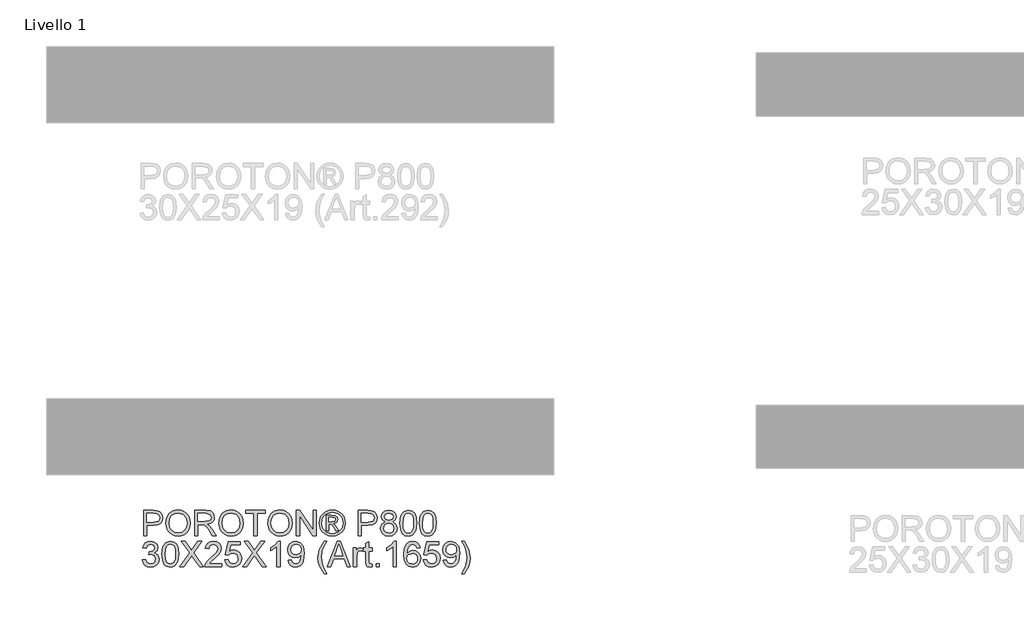
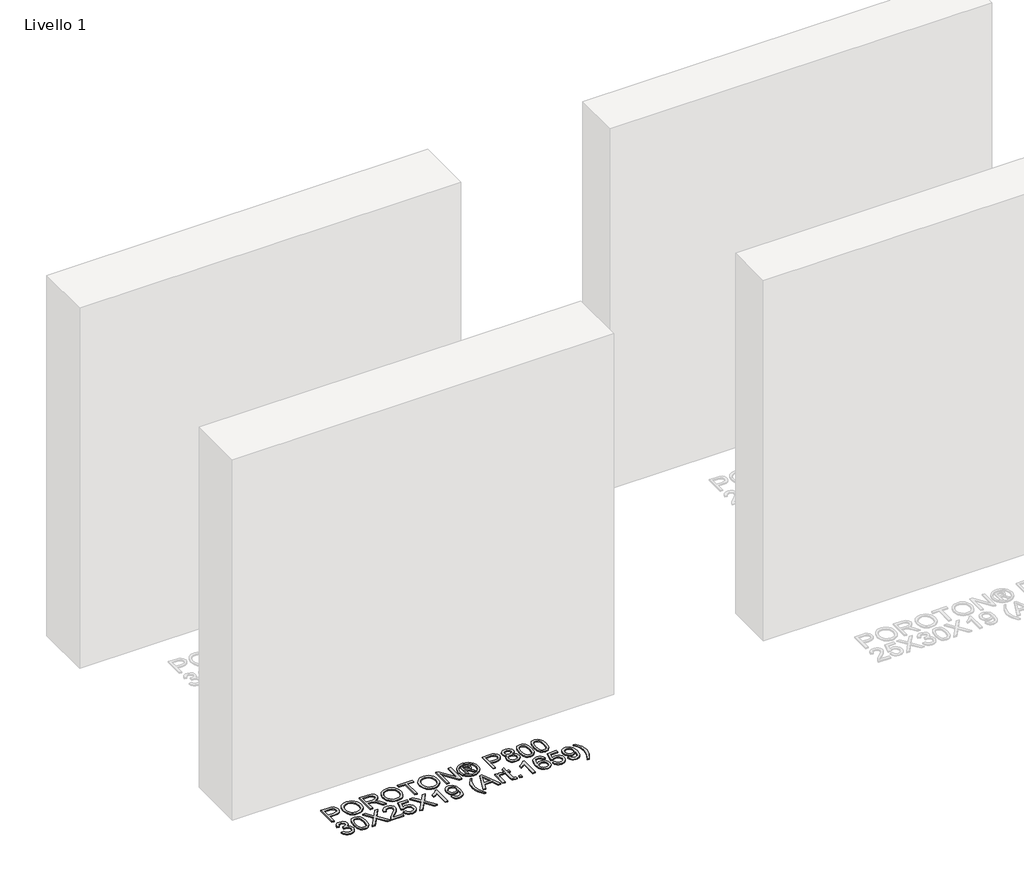
# One storey, part 2 of 8: 1 proxy.
"""IFC4 building model written with IfcOpenShell, lengths in millimetres."""

import ifcopenshell
import ifcopenshell.guid

model = None  # the IFC model being written
_history = None  # IfcOwnerHistory: only IFC2X3 demands one
_inside = {}  # id of a spatial element -> (the spatial element, [elements in it])
_under = {}  # id of a project, library or spatial element -> (it, [spatial elements below it])
_declared = {}  # id of a project -> (the project, [libraries it declares])
_typed = {}  # id of a type object -> (the type object, [elements of that type])
_made_of = {}  # id of a material, layer set ... -> (it, [elements and type objects made of it])


def new_model(schema):
    """Start an empty IFC model of exactly this schema.

    Asked for "IFC4X3", IfcOpenShell would pick the latest addendum, in which some entities
    have other attributes; the version numbers below select the first issue.
    IFC2X3 requires an IfcOwnerHistory on every rooted entity: one is made here for all.
    """
    global model, _history
    if schema == "IFC4X3":
        model = ifcopenshell.file(schema_version=(4, 3, 0, 0))
    else:
        model = ifcopenshell.file(schema=schema)
    _inside.clear()
    _under.clear()
    _declared.clear()
    _typed.clear()
    _made_of.clear()
    _history = None
    if model.schema == "IFC2X3":
        org = make("IfcOrganization", Name="unknown")
        user = make(
            "IfcPersonAndOrganization",
            ThePerson=make("IfcPerson", FamilyName="unknown"),
            TheOrganization=org,
        )
        app = make(
            "IfcApplication",
            ApplicationDeveloper=org,
            Version="unknown",
            ApplicationFullName="unknown",
            ApplicationIdentifier="unknown",
        )
        _history = make(
            "IfcOwnerHistory",
            OwningUser=user,
            OwningApplication=app,
            ChangeAction="ADDED",
            CreationDate=0,
        )
    return model


def make(cls, **values):
    """One entity of the class cls with the attributes given. An attribute that is None is left unset."""
    return model.create_entity(
        cls, **{name: value for name, value in values.items() if value is not None}
    )


def rooted(cls, **values):
    """An entity with a GlobalId (a new one), such as an element, a storey or a relation."""
    return make(cls, GlobalId=ifcopenshell.guid.new(), OwnerHistory=_history, **values)


def si_unit(unit_type, name, prefix=None):
    """IfcSIUnit, for example si_unit("LENGTHUNIT", "METRE", prefix="MILLI")."""
    return make("IfcSIUnit", UnitType=unit_type, Prefix=prefix, Name=name)


def assignment(units):
    """IfcUnitAssignment: the units of a project."""
    return None if units is None else make("IfcUnitAssignment", Units=units)


def point(xyz):
    """IfcCartesianPoint."""
    return None if xyz is None else make("IfcCartesianPoint", Coordinates=xyz)


def direction(xyz):
    """IfcDirection."""
    return None if xyz is None else make("IfcDirection", DirectionRatios=xyz)


def frame(location, z_axis=None, x_axis=None):
    """IfcAxis2Placement3D, a coordinate frame: its origin and axes. An axis left out is left unset."""
    return make(
        "IfcAxis2Placement3D",
        Location=point(location),
        Axis=direction(z_axis),
        RefDirection=direction(x_axis),
    )


def origin():
    """The frame at (0, 0, 0) with its axes left unset."""
    return frame((0.0, 0.0, 0.0))


def origin_with_axes():
    """The frame at (0, 0, 0) with the z axis (0, 0, 1) and the x axis (1, 0, 0) written out."""
    return frame((0.0, 0.0, 0.0), z_axis=(0.0, 0.0, 1.0), x_axis=(1.0, 0.0, 0.0))


def place(relative_to, where):
    """IfcLocalPlacement: puts the frame where relative to a parent placement (None: the world)."""
    return make(
        "IfcLocalPlacement", PlacementRelTo=relative_to, RelativePlacement=where
    )


def context(
    kind, dimensions, precision=None, world=None, true_north=None, identifier=None
):
    """IfcGeometricRepresentationContext, for example the 3D "Model" context."""
    return make(
        "IfcGeometricRepresentationContext",
        ContextIdentifier=identifier,
        ContextType=kind,
        CoordinateSpaceDimension=dimensions,
        Precision=precision,
        WorldCoordinateSystem=world,
        TrueNorth=true_north,
    )


def project(units=None, contexts=None):
    """IfcProject with its units and contexts."""
    return rooted(
        "IfcProject",
        Name="project",
        RepresentationContexts=contexts,
        UnitsInContext=assignment(units),
    )


def spatial(cls, under=None, at=None, **own):
    """A site, building, storey or space (cls), placed at a placement, below another one or the project."""
    s = rooted(cls, ObjectPlacement=at, **own)
    if under is not None:
        _under.setdefault(under.id(), (under, []))[1].append(s)
    return s


def polyline(points):
    """IfcPolyline through the points."""
    return make("IfcPolyline", Points=[point(p) for p in points])


def outline(outer, holes=None, kind="AREA"):
    """IfcArbitraryClosedProfileDef: a profile drawn as a closed curve; with holes, ...WithVoids."""
    if holes is None:
        return make("IfcArbitraryClosedProfileDef", ProfileType=kind, OuterCurve=outer)
    return make(
        "IfcArbitraryProfileDefWithVoids",
        ProfileType=kind,
        OuterCurve=outer,
        InnerCurves=holes,
    )


def extrude(swept, where, along, depth):
    """IfcExtrudedAreaSolid: the profile swept, set in the frame where, extruded along a direction by depth."""
    return make(
        "IfcExtrudedAreaSolid",
        SweptArea=swept,
        Position=where,
        ExtrudedDirection=direction(along),
        Depth=depth,
    )


def shape(context_of_items, identifier, shape_type, items):
    """IfcShapeRepresentation: the items that make up one representation, for example the "Body"."""
    return make(
        "IfcShapeRepresentation",
        ContextOfItems=context_of_items,
        RepresentationIdentifier=identifier,
        RepresentationType=shape_type,
        Items=items,
    )


def made_of(thing, what):
    """Note that an element or type object is made of a material, layer set ...; save() writes the relation."""
    if what is not None:
        _made_of.setdefault(what.id(), (what, []))[1].append(thing)
    return thing


def element(
    cls,
    number,
    at=None,
    inside=None,
    cuts=None,
    type_object=None,
    material=None,
    context=None,
    identifier="Body",
    shape_type=None,
    held_by="IfcProductDefinitionShape",
    body=None,
    shapes=None,
    **own,
):
    """One element of the class cls, such as IfcWall. Its Tag is "e" and its number.

    at: its placement. inside: the storey or other place that contains it. cuts: it is an
    opening in that element (IfcRelVoidsElement). A single representation is given by context,
    identifier, shape_type and body (its items); several are given by shapes. held_by: the class
    of the entity that holds the representations. save() writes the other relations.
    """
    e = rooted(cls, Tag="e%d" % number, ObjectPlacement=at, **own)
    if body is not None:
        shapes = [shape(context, identifier, shape_type, body)]
    if shapes is not None:
        e.Representation = make(held_by, Representations=shapes)
    if inside is not None:
        _inside.setdefault(inside.id(), (inside, []))[1].append(e)
    if cuts is not None:
        rooted(
            "IfcRelVoidsElement", RelatingBuildingElement=cuts, RelatedOpeningElement=e
        )
    if type_object is not None:
        _typed.setdefault(type_object.id(), (type_object, []))[1].append(e)
    return made_of(e, material)


def aggregate(whole, parts):
    """IfcRelAggregates: a whole, such as a stair, and the parts it consists of."""
    return rooted("IfcRelAggregates", RelatingObject=whole, RelatedObjects=parts)


def save(model, path):
    """Write the relations noted so far, then the file.

    IfcRelAggregates (storeys below a building ...), IfcRelContainedInSpatialStructure (elements
    in a storey), IfcRelDefinesByType, IfcRelAssociatesMaterial and IfcRelDeclares: one each for
    every whole, place, type object, material and project.
    """
    for whole, parts in _under.values():
        aggregate(whole, parts)
    for where, things in _inside.values():
        rooted(
            "IfcRelContainedInSpatialStructure",
            RelatedElements=things,
            RelatingStructure=where,
        )
    for kind, things in _typed.values():
        rooted("IfcRelDefinesByType", RelatedObjects=things, RelatingType=kind)
    for what, things in _made_of.values():
        rooted("IfcRelAssociatesMaterial", RelatedObjects=things, RelatingMaterial=what)
    for by, libraries in _declared.values():
        rooted("IfcRelDeclares", RelatingContext=by, RelatedDefinitions=libraries)
    model.write(path)


model = new_model("IFC4")

# Units and contexts
model_context = context("Model", 3, world=origin())
ifc_project = project(units=[si_unit("LENGTHUNIT", "METRE", prefix="MILLI")], contexts=[model_context])

# Site, building, storey
site = spatial("IfcSite", under=ifc_project)
building = spatial("IfcBuilding", under=site)
storey = spatial("IfcBuildingStorey", under=building, Name="Livello 1", Elevation=0.0)

# Proxy
placement = place(None, origin())
element("IfcBuildingElementProxy", 1, Name="100", ObjectType="100", at=placement, inside=storey, context=model_context, shape_type="SweptSolid", body=[
    extrude(outline(polyline([(-1759.8532152, 897.8313318), (-1759.8532152, 998.2876419), (-1722.6235573, 998.2876419), (-1707.6139719, 997.3311487), (-1695.4125523, 992.6345219), (-1687.5030895, 982.9224373), (-1684.5109826, 969.2249643), (-1686.5312678, 957.3852954), (-1692.5921237, 947.5199266), (-1703.9259549, 940.8612625), (-1721.7651659, 938.6417078), (-1747.2961764, 938.6417078), (-1747.2961764, 897.8313318), (-1759.8532152, 897.8313318)]), holes=[polyline([(-1747.2961764, 951.1987465), (-1721.0294019, 951.1987465), (-1702.5372003, 955.8095342), (-1698.4353161, 961.358421), (-1697.0680213, 968.7835059), (-1700.2931202, 979.1823036), (-1708.7666688, 984.8722118), (-1721.3237075, 985.7306032), (-1747.2961764, 985.7306032), (-1747.2961764, 951.1987465)])]), origin_with_axes(), (0.0, 0.0, 1.0), 5.0),
    extrude(outline(polyline([(-1671.9539438, 946.7351117), (-1668.6062176, 968.9490528), (-1658.5630392, 985.7551286), (-1643.2284913, 996.331736), (-1624.0066571, 999.8572718), (-1610.8303503, 998.2018028), (-1599.0152069, 993.2353959), (-1589.2050203, 985.3075389), (-1582.0435842, 974.7677197), (-1577.6657884, 962.1248418), (-1576.2065232, 947.8878086), (-1577.7424305, 933.460703), (-1582.3501525, 920.6400155), (-1589.7752374, 910.0818022), (-1599.7632336, 902.4421194), (-1611.4772095, 897.8068063), (-1624.0802335, 896.2617019), (-1637.4588754, 897.9692875), (-1649.3414638, 903.0920443), (-1659.1271249, 911.1670541), (-1666.2149847, 921.7313987), (-1671.9539438, 946.7351117)]), holes=[polyline([(-1659.396905, 946.6124843), (-1656.8861104, 930.8977918), (-1649.3537266, 918.9232328), (-1638.0321582, 911.3448637), (-1624.1538099, 908.8187407), (-1610.0731265, 911.3693892), (-1598.733164, 919.0213347), (-1591.2559625, 931.3637756), (-1588.7635619, 947.9859105), (-1593.0309931, 968.7099295), (-1605.5021927, 982.4319279), (-1623.9330807, 987.300233), (-1637.4404813, 984.9549853), (-1648.9245309, 977.9192421), (-1656.7788115, 965.4020572), (-1659.396905, 946.6124843)])]), origin_with_axes(), (0.0, 0.0, 1.0), 5.0),
    extrude(outline(polyline([(-1558.9405949, 897.8313318), (-1558.9405949, 998.2876419), (-1515.6531468, 998.2876419), (-1495.5545271, 995.5775779), (-1484.5671182, 985.9881206), (-1480.4591026, 970.7945942), (-1482.1605568, 960.8985685), (-1487.2649195, 952.6948), (-1495.9254748, 946.6799294), (-1508.2955069, 943.3505973), (-1501.1585962, 937.9795202), (-1490.9805276, 925.0545994), (-1474.2296341, 897.8313318), (-1488.8222866, 897.8313318), (-1501.8943602, 918.6534527), (-1511.3366647, 932.4367648), (-1517.9708033, 938.9482761), (-1523.9427544, 941.3395091), (-1531.2268179, 941.7809675), (-1546.3835561, 941.7809675), (-1546.3835561, 897.8313318), (-1558.9405949, 897.8313318)]), holes=[polyline([(-1546.3835561, 954.3380062), (-1518.2773717, 954.3380062), (-1503.9422366, 956.1161025), (-1495.7997818, 961.8060107), (-1493.0161413, 970.3286103), (-1498.3259048, 981.3895956), (-1515.1135865, 985.7306032), (-1546.3835561, 985.7306032), (-1546.3835561, 954.3380062)])]), origin_with_axes(), (0.0, 0.0, 1.0), 5.0),
    extrude(outline(polyline([(-1463.1931743, 946.7351117), (-1459.8454481, 968.9490528), (-1449.8022696, 985.7551286), (-1434.4677218, 996.331736), (-1415.2458876, 999.8572718), (-1402.0695808, 998.2018028), (-1390.2544373, 993.2353959), (-1380.4442508, 985.3075389), (-1373.2828146, 974.7677197), (-1368.9050189, 962.1248418), (-1367.4457536, 947.8878086), (-1368.981661, 933.460703), (-1373.589383, 920.6400155), (-1381.0144679, 910.0818022), (-1391.0024641, 902.4421194), (-1402.7164399, 897.8068063), (-1415.319464, 896.2617019), (-1428.6981058, 897.9692875), (-1440.5806943, 903.0920443), (-1450.3663554, 911.1670541), (-1457.4542151, 921.7313987), (-1463.1931743, 946.7351117)]), holes=[polyline([(-1450.6361355, 946.6124843), (-1448.1253409, 930.8977918), (-1440.592957, 918.9232328), (-1429.2713886, 911.3448637), (-1415.3930404, 908.8187407), (-1401.312357, 911.3693892), (-1389.9723945, 919.0213347), (-1382.4951929, 931.3637756), (-1380.0027924, 947.9859105), (-1384.2702236, 968.7099295), (-1396.7414232, 982.4319279), (-1415.1723112, 987.300233), (-1428.6797117, 984.9549853), (-1440.1637614, 977.9192421), (-1448.018042, 965.4020572), (-1450.6361355, 946.6124843)])]), origin_with_axes(), (0.0, 0.0, 1.0), 5.0),
    extrude(outline(polyline([(-1325.0657478, 897.8313318), (-1325.0657478, 985.7306032), (-1358.0279746, 985.7306032), (-1358.0279746, 998.2876419), (-1279.5464823, 998.2876419), (-1279.5464823, 985.7306032), (-1312.508709, 985.7306032), (-1312.508709, 897.8313318), (-1325.0657478, 897.8313318)])), origin_with_axes(), (0.0, 0.0, 1.0), 5.0),
    extrude(outline(polyline([(-1270.1287032, 946.7351117), (-1266.780977, 968.9490528), (-1256.7377986, 985.7551286), (-1241.4032507, 996.331736), (-1222.1814165, 999.8572718), (-1209.0051097, 998.2018028), (-1197.1899663, 993.2353959), (-1187.3797797, 985.3075389), (-1180.2183436, 974.7677197), (-1175.8405478, 962.1248418), (-1174.3812826, 947.8878086), (-1175.9171899, 933.460703), (-1180.5249119, 920.6400155), (-1187.9499968, 910.0818022), (-1197.937993, 902.4421194), (-1209.6519689, 897.8068063), (-1222.2549929, 896.2617019), (-1235.6336348, 897.9692875), (-1247.5162232, 903.0920443), (-1257.3018843, 911.1670541), (-1264.3897441, 921.7313987), (-1270.1287032, 946.7351117)]), holes=[polyline([(-1257.5716644, 946.6124843), (-1255.0608698, 930.8977918), (-1247.528486, 918.9232328), (-1236.2069176, 911.3448637), (-1222.3285693, 908.8187407), (-1208.2478859, 911.3693892), (-1196.9079234, 919.0213347), (-1189.4307219, 931.3637756), (-1186.9383213, 947.9859105), (-1191.2057525, 968.7099295), (-1203.6769521, 982.4319279), (-1222.1078401, 987.300233), (-1235.6152407, 984.9549853), (-1247.0992903, 977.9192421), (-1254.9535709, 965.4020572), (-1257.5716644, 946.6124843)])]), origin_with_axes(), (0.0, 0.0, 1.0), 5.0),
    extrude(outline(polyline([(-1157.1153543, 897.8313318), (-1157.1153543, 998.2876419), (-1143.6753987, 998.2876419), (-1091.1909007, 918.7025036), (-1091.1909007, 998.2876419), (-1078.633862, 998.2876419), (-1078.633862, 897.8313318), (-1092.0738175, 897.8313318), (-1144.5583155, 977.4409955), (-1144.5583155, 897.8313318), (-1157.1153543, 897.8313318)])), origin_with_axes(), (0.0, 0.0, 1.0), 5.0),
    extrude(outline(polyline([(-1015.8241427, 999.8572718), (-1002.9298787, 998.1834087), (-990.3421831, 993.1618195), (-979.2842635, 985.025496), (-970.9793274, 974.0074302), (-965.7829943, 961.2848446), (-964.0508832, 948.0349614), (-965.7584688, 934.9015742), (-970.8812256, 922.2832217), (-979.0849941, 911.3050099), (-990.0356148, 903.0920443), (-1002.6447702, 897.9692875), (-1015.8241427, 896.2617019), (-1028.985121, 897.9692875), (-1041.5881451, 903.0920443), (-1052.5479628, 911.3050099), (-1060.7793225, 922.2832217), (-1065.9296704, 934.9015742), (-1067.646453, 948.0349614), (-1065.9051449, 961.2848446), (-1060.6812206, 974.0074302), (-1052.3486934, 985.025496), (-1041.2815767, 993.1618195), (-1028.7000125, 998.1834087), (-1015.8241427, 999.8572718)]), holes=[polyline([(-1015.8241427, 990.4394927), (-1036.6462636, 984.958051), (-1045.6747009, 978.2963212), (-1052.5019776, 969.2740152), (-1058.228674, 948.0349614), (-1052.6123422, 926.9798485), (-1036.8915182, 911.2958128), (-1015.8241427, 905.679481), (-994.7445043, 911.2958128), (-979.0604686, 926.9798485), (-973.4686623, 948.0349614), (-979.1585705, 969.2740152), (-985.9674531, 978.2963212), (-995.0142845, 984.958051), (-1015.8241427, 990.4394927)])]), origin_with_axes(), (0.0, 0.0, 1.0), 5.0),
    extrude(outline(polyline([(-1039.3931158, 916.6668899), (-1039.3931158, 979.4520838), (-1019.1105551, 979.4520838), (-1004.0519188, 977.7230384), (-996.6329652, 971.6897737), (-993.8738503, 962.529512), (-998.6317908, 950.6101354), (-1011.2378805, 944.9202272), (-1006.3327872, 941.5847637), (-997.7733994, 929.0522504), (-990.7345906, 916.6668899), (-1001.329592, 916.6668899), (-1006.847822, 926.6242293), (-1016.0939228, 941.0452035), (-1024.1137503, 943.3505973), (-1029.9753367, 943.3505973), (-1029.9753367, 916.6668899), (-1039.3931158, 916.6668899)]), holes=[polyline([(-1029.9753367, 952.7683764), (-1018.0559601, 952.7683764), (-1006.4063636, 955.1596094), (-1003.2916294, 961.4994424), (-1004.7876828, 966.0611791), (-1008.9447493, 969.053286), (-1018.8162496, 970.0343047), (-1029.9753367, 970.0343047), (-1029.9753367, 952.7683764)])]), origin_with_axes(), (0.0, 0.0, 1.0), 5.0),
    extrude(outline(polyline([(-913.8227281, 897.8313318), (-913.8227281, 998.2876419), (-876.5930702, 998.2876419), (-861.5834848, 997.3311487), (-849.3820653, 992.6345219), (-841.4726024, 982.9224373), (-838.4804955, 969.2249643), (-840.5007808, 957.3852954), (-846.5616367, 947.5199266), (-857.8954678, 940.8612625), (-875.7346789, 938.6417078), (-901.2656894, 938.6417078), (-901.2656894, 897.8313318), (-913.8227281, 897.8313318)]), holes=[polyline([(-901.2656894, 951.1987465), (-874.9989149, 951.1987465), (-856.5067133, 955.8095342), (-852.404829, 961.358421), (-851.0375343, 968.7835059), (-854.2626331, 979.1823036), (-862.7361817, 984.8722118), (-875.2932205, 985.7306032), (-901.2656894, 985.7306032), (-901.2656894, 951.1987465)])]), origin_with_axes(), (0.0, 0.0, 1.0), 5.0),
    extrude(outline(polyline([(-807.6274589, 953.1607839), (-819.0685889, 960.9598821), (-822.7841971, 973.099988), (-820.7608461, 982.9163059), (-814.6907932, 991.0281039), (-805.25462, 996.4727574), (-793.1329082, 998.2876419), (-780.9376201, 996.4298379), (-771.3788196, 990.8564256), (-765.1984021, 982.6158689), (-763.1382629, 972.7566315), (-766.8048201, 960.9230939), (-777.9271191, 953.1607839), (-764.5730027, 943.3138091), (-759.9990032, 927.0656877), (-762.2676088, 915.0604719), (-769.0734258, 905.1399207), (-779.5825881, 898.4812566), (-792.96123, 896.2617019), (-806.3398719, 898.4904537), (-816.8490342, 905.1767089), (-823.6548511, 915.1922963), (-825.9234567, 927.4090442), (-821.1655163, 944.0373104), (-807.6274589, 953.1607839)]), holes=[polyline([(-810.2271583, 972.732106), (-805.7757861, 962.8728685), (-792.8140772, 959.0468958), (-780.1098856, 962.8483431), (-775.6953017, 972.1680203), (-780.2570384, 981.8187913), (-792.96123, 985.7306032), (-805.7022097, 981.9046304), (-810.2271583, 972.732106)]), polyline([(-813.366418, 927.8505026), (-811.2694906, 918.3959353), (-803.850537, 911.3203383), (-792.8631281, 908.8187407), (-784.3160031, 910.1339188), (-777.9025936, 914.0794532), (-772.556042, 927.4580951), (-778.0742719, 941.0942544), (-784.6348342, 945.1409564), (-793.280061, 946.489857), (-801.7076244, 945.1593505), (-808.0566545, 941.1678308), (-813.366418, 927.8505026)])]), origin_with_axes(), (0.0, 0.0, 1.0), 5.0),
    extrude(outline(polyline([(-749.0115943, 947.2501465), (-745.3205116, 976.1534085), (-734.3576281, 992.8184629), (-716.0493675, 998.2876419), (-701.3831386, 995.0502804), (-691.254121, 985.7183404), (-685.3680091, 970.8559078), (-683.0871408, 947.2501465), (-686.7414352, 918.4695117), (-697.6675305, 901.7676691), (-705.8988901, 897.6381937), (-716.0493675, 896.2617019), (-729.0969156, 898.6529349), (-739.005204, 905.8266338), (-746.5099967, 922.8166506), (-749.0115943, 947.2501465)]), holes=[polyline([(-736.4545555, 947.2746719), (-734.9830275, 927.5224745), (-730.5684436, 916.0905415), (-723.9956186, 910.6366909), (-716.0493675, 908.8187407), (-708.1031164, 910.6428223), (-701.5302914, 916.1150669), (-697.1157075, 927.5531313), (-695.6441795, 947.2746719), (-697.0666566, 966.5823453), (-701.3340877, 978.1031831), (-707.89465, 983.8237481), (-716.1965203, 985.7306032), (-724.0569323, 984.0506087), (-730.3722399, 979.0106254), (-734.9339766, 966.7724177), (-736.4545555, 947.2746719)])]), origin_with_axes(), (0.0, 0.0, 1.0), 5.0),
    extrude(outline(polyline([(-672.0997318, 947.2501465), (-668.4086491, 976.1534085), (-657.4457657, 992.8184629), (-639.1375051, 998.2876419), (-624.4712762, 995.0502804), (-614.3422586, 985.7183404), (-608.4561467, 970.8559078), (-606.1752783, 947.2501465), (-609.8295728, 918.4695117), (-620.755668, 901.7676691), (-628.9870277, 897.6381937), (-639.1375051, 896.2617019), (-652.1850532, 898.6529349), (-662.0933416, 905.8266338), (-669.5981343, 922.8166506), (-672.0997318, 947.2501465)]), holes=[polyline([(-659.5426931, 947.2746719), (-658.0711651, 927.5224745), (-653.6565811, 916.0905415), (-647.0837562, 910.6366909), (-639.1375051, 908.8187407), (-631.191254, 910.6428223), (-624.618429, 916.1150669), (-620.203845, 927.5531313), (-618.7323171, 947.2746719), (-620.1547941, 966.5823453), (-624.4222253, 978.1031831), (-630.9827875, 983.8237481), (-639.2846579, 985.7306032), (-647.1450698, 984.0506087), (-653.4603774, 979.0106254), (-658.0221142, 966.7724177), (-659.5426931, 947.2746719)])]), origin_with_axes(), (0.0, 0.0, 1.0), 5.0),
    extrude(outline(polyline([(-1764.5621047, 802.5402213), (-1752.0050659, 804.1098512), (-1745.0766217, 790.8906248), (-1732.1149127, 786.8439229), (-1723.506474, 788.2357431), (-1716.8600727, 792.4112037), (-1711.1946899, 806.1945158), (-1716.8110217, 819.1807502), (-1731.0848431, 824.3188354), (-1739.8894856, 822.9454093), (-1738.491534, 835.5024481), (-1736.4804457, 835.3552953), (-1722.2311498, 838.9605388), (-1717.4854721, 843.5345383), (-1715.9035795, 850.0460496), (-1720.4898417, 859.8684989), (-1732.3111165, 863.7557853), (-1744.279544, 859.8317107), (-1750.4354361, 848.0594869), (-1762.9924749, 849.6291167), (-1759.2952608, 860.9046998), (-1752.7163045, 869.3230662), (-1743.7154583, 874.5653846), (-1732.7525749, 876.3128241), (-1717.6080994, 872.8669961), (-1707.0130979, 863.449217), (-1703.3465407, 850.7818136), (-1706.8291569, 839.2057935), (-1717.1298528, 830.8916604), (-1703.4446426, 822.3077472), (-1698.6376512, 805.9737866), (-1701.0411469, 793.7355789), (-1708.251634, 783.5084594), (-1719.1348097, 776.5922779), (-1732.5563711, 774.2868841), (-1744.696477, 776.2550528), (-1754.5802399, 782.1595588), (-1761.4535018, 791.1910618), (-1764.5621047, 802.5402213)])), origin_with_axes(), (0.0, 0.0, 1.0), 5.0),
    extrude(outline(polyline([(-1687.6502423, 825.2753286), (-1683.9591596, 854.1785907), (-1672.9962761, 870.8436451), (-1654.6880155, 876.3128241), (-1640.0217866, 873.0754625), (-1629.892769, 863.7435226), (-1624.0066571, 848.88109), (-1621.7257887, 825.2753286), (-1625.3800832, 796.4946939), (-1636.3061785, 779.7928513), (-1644.5375381, 775.6633759), (-1654.6880155, 774.2868841), (-1667.7355636, 776.6781171), (-1677.643852, 783.851816), (-1685.1486447, 800.8418328), (-1687.6502423, 825.2753286)]), holes=[polyline([(-1675.0932035, 825.2998541), (-1673.6216755, 805.5476566), (-1669.2070916, 794.1157236), (-1662.6342666, 788.661873), (-1654.6880155, 786.8439229), (-1646.7417644, 788.6680044), (-1640.1689394, 794.1402491), (-1635.7543555, 805.5783135), (-1634.2828275, 825.2998541), (-1635.7053045, 844.6075275), (-1639.9727357, 856.1283653), (-1646.5332979, 861.8489303), (-1654.8351683, 863.7557853), (-1662.6955802, 862.0757909), (-1669.0108878, 857.0358075), (-1673.5726246, 844.7975998), (-1675.0932035, 825.2998541)])]), origin_with_axes(), (0.0, 0.0, 1.0), 5.0),
    extrude(outline(polyline([(-1617.0168992, 775.8565139), (-1578.2911878, 830.5973548), (-1610.7383798, 876.3128241), (-1595.6797435, 876.3128241), (-1577.408271, 850.5856099), (-1571.252379, 840.5546941), (-1564.0418919, 850.7572881), (-1545.9666232, 876.3128241), (-1530.6872576, 876.3128241), (-1563.1344496, 830.450202), (-1524.4087383, 775.8565139), (-1539.4673746, 775.8565139), (-1565.2681652, 812.252306), (-1570.6392423, 819.8061496), (-1576.5498797, 811.516542), (-1601.7375336, 775.8565139), (-1617.0168992, 775.8565139)])), origin_with_axes(), (0.0, 0.0, 1.0), 5.0),
    extrude(outline(polyline([(-1452.2057653, 788.4135527), (-1452.2057653, 775.8565139), (-1518.1302189, 775.8565139), (-1516.7813182, 784.5140036), (-1509.1538982, 797.8435945), (-1493.4330743, 812.3994588), (-1471.752562, 833.3196816), (-1466.332434, 847.5444521), (-1471.4459937, 859.0591585), (-1484.8001101, 863.7557853), (-1498.7183123, 859.1695231), (-1504.0035503, 846.489857), (-1516.560589, 848.0594869), (-1513.5163655, 860.2057241), (-1506.9343435, 869.0778115), (-1497.1578795, 874.5040709), (-1484.53033, 876.3128241), (-1471.81081, 874.3017358), (-1462.0527401, 868.2684711), (-1455.8447314, 859.2553622), (-1453.7753952, 848.3047415), (-1456.0072126, 836.3976276), (-1463.4261662, 824.0858435), (-1481.4155958, 806.8812289), (-1495.8610954, 794.8024367), (-1501.5264782, 788.4135527), (-1452.2057653, 788.4135527)])), origin_with_axes(), (0.0, 0.0, 1.0), 5.0),
    extrude(outline(polyline([(-1439.6487266, 802.5402213), (-1427.0916878, 804.1098512), (-1420.7641175, 791.1726677), (-1407.642993, 786.8439229), (-1398.6421468, 788.3491734), (-1391.8976436, 792.8649248), (-1387.6853948, 799.8700112), (-1386.2813118, 808.8432662), (-1391.5420243, 823.7547497), (-1398.1485718, 827.8566339), (-1407.4467893, 829.2239287), (-1418.4709864, 827.0411622), (-1425.522058, 821.3757795), (-1438.0790967, 822.9454093), (-1427.0916878, 874.7431942), (-1378.4331626, 874.7431942), (-1378.4331626, 862.1861555), (-1416.9381447, 862.1861555), (-1422.3092219, 834.5214294), (-1413.3390325, 839.966083), (-1403.9396476, 841.7809675), (-1392.2072776, 839.5307559), (-1382.4676018, 832.7801213), (-1375.9101052, 822.4916882), (-1373.724273, 809.6280811), (-1375.6924417, 797.0710423), (-1381.5969477, 786.3288881), (-1392.9031877, 777.2973851), (-1407.6920439, 774.2868841), (-1420.0252878, 776.2213302), (-1429.8508028, 782.0246687), (-1436.586109, 791.0224492), (-1439.6487266, 802.5402213)])), origin_with_axes(), (0.0, 0.0, 1.0), 5.0),
    extrude(outline(polyline([(-1369.0153835, 775.8565139), (-1330.2896721, 830.5973548), (-1362.7368641, 876.3128241), (-1347.6782278, 876.3128241), (-1329.4067553, 850.5856099), (-1323.2508633, 840.5546941), (-1316.0403762, 850.7572881), (-1297.9651075, 876.3128241), (-1282.685742, 876.3128241), (-1315.1329339, 830.450202), (-1276.4072226, 775.8565139), (-1291.4658589, 775.8565139), (-1317.2666495, 812.252306), (-1322.6377266, 819.8061496), (-1328.548364, 811.516542), (-1353.736018, 775.8565139), (-1369.0153835, 775.8565139)])), origin_with_axes(), (0.0, 0.0, 1.0), 5.0),
    extrude(outline(polyline([(-1221.470178, 775.8565139), (-1234.0272167, 775.8565139), (-1234.0272167, 854.1418025), (-1245.9220679, 845.6682539), (-1259.1412943, 839.3284208), (-1259.1412943, 851.1987465), (-1240.7349318, 862.9464449), (-1229.5635819, 876.3128241), (-1221.470178, 876.3128241), (-1221.470178, 775.8565139)])), origin_with_axes(), (0.0, 0.0, 1.0), 5.0),
    extrude(outline(polyline([(-1190.077581, 800.9705915), (-1177.5205423, 802.5402213), (-1171.879685, 790.559531), (-1161.1865817, 786.8439229), (-1151.0207759, 789.2351558), (-1144.1291198, 795.6240398), (-1140.0211042, 806.5378723), (-1138.2062197, 821.1059993), (-1138.2797961, 823.558546), (-1148.3229746, 814.042665), (-1162.0940239, 810.3883705), (-1173.544351, 812.620188), (-1183.0755604, 819.3156403), (-1189.5042983, 829.6592557), (-1191.6472109, 842.8355625), (-1189.400065, 856.4471963), (-1182.6586275, 867.1157742), (-1172.5326756, 874.0135616), (-1160.1319866, 876.3128241), (-1142.2406589, 871.0643743), (-1129.9288748, 856.1038398), (-1125.7227574, 827.9976554), (-1129.9166121, 797.500238), (-1135.1313394, 787.5091761), (-1142.3878117, 780.2220469), (-1151.3733295, 775.7706748), (-1161.7751929, 774.2868841), (-1172.5112158, 776.0373892), (-1181.0767349, 781.2889047), (-1187.06708, 789.7103367), (-1190.077581, 800.9705915)]), holes=[polyline([(-1138.2797961, 843.1298681), (-1139.6348281, 851.6402049), (-1143.6999242, 858.1885045), (-1150.0091004, 862.3639651), (-1158.0963729, 863.7557853), (-1166.4840824, 862.2566662), (-1173.2040602, 857.7593088), (-1177.6186441, 850.8768498), (-1179.0901721, 842.2224259), (-1177.6983519, 834.4631814), (-1173.5228913, 828.3042237), (-1166.9684604, 824.2851129), (-1158.4397295, 822.9454093), (-1143.9574416, 828.3042237), (-1139.6992075, 834.690042), (-1138.2797961, 843.1298681)])]), origin_with_axes(), (0.0, 0.0, 1.0), 5.0),
    extrude(outline(polyline([(-1047.241265, 747.6031767), (-1065.0712791, 777.0582618), (-1070.5343267, 794.238351), (-1072.3553426, 812.0315768), (-1066.9106891, 842.5657824), (-1047.241265, 876.3128241), (-1037.823486, 876.3128241), (-1049.5711843, 856.4226709), (-1056.6345187, 837.1456543), (-1059.7983038, 811.9580004), (-1054.3045994, 779.7683258), (-1037.823486, 747.6031767), (-1047.241265, 747.6031767)])), origin_with_axes(), (0.0, 0.0, 1.0), 5.0),
    extrude(outline(polyline([(-1035.3954648, 775.8565139), (-995.2963273, 876.3128241), (-984.603224, 876.3128241), (-944.5040865, 775.8565139), (-957.7723638, 775.8565139), (-969.2748075, 807.2491109), (-1010.6492693, 807.2491109), (-1022.1271875, 775.8565139), (-1035.3954648, 775.8565139)]), holes=[polyline([(-1006.0384816, 819.8061496), (-973.8610697, 819.8061496), (-982.9109668, 844.5032942), (-989.9497757, 863.7557853), (-996.2037696, 846.6615353), (-1006.0384816, 819.8061496)])]), origin_with_axes(), (0.0, 0.0, 1.0), 5.0),
    extrude(outline(polyline([(-932.6582863, 775.8565139), (-932.6582863, 849.6291167), (-921.6708774, 849.6291167), (-921.6708774, 838.7152842), (-913.8717791, 848.7707254), (-906.0236298, 851.1987465), (-893.4175401, 847.3237229), (-897.6113949, 836.0665338), (-906.4405628, 838.6417078), (-913.5406853, 836.1646357), (-918.0656338, 829.2975051), (-920.1012475, 814.6312762), (-920.1012475, 775.8565139), (-932.6582863, 775.8565139)])), origin_with_axes(), (0.0, 0.0, 1.0), 5.0),
    extrude(outline(polyline([(-858.8856835, 786.3288881), (-857.3160537, 775.4886319), (-866.7093073, 774.2868841), (-877.2307323, 776.3715487), (-882.4791821, 781.8407277), (-883.9997611, 796.0900237), (-883.9997611, 837.0720779), (-893.4175401, 837.0720779), (-893.4175401, 849.6291167), (-883.9997611, 849.6291167), (-883.9997611, 867.5572326), (-871.4427223, 874.939398), (-871.4427223, 849.6291167), (-858.8856835, 849.6291167), (-858.8856835, 837.0720779), (-871.4427223, 837.0720779), (-871.4427223, 796.4579057), (-870.7805347, 789.9831825), (-868.6345564, 787.6900514), (-864.3548625, 786.8439229), (-858.8856835, 786.3288881)])), origin_with_axes(), (0.0, 0.0, 1.0), 5.0),
    extrude(outline(polyline([(-843.1893851, 775.8565139), (-843.1893851, 788.4135527), (-830.6323463, 788.4135527), (-830.6323463, 775.8565139), (-843.1893851, 775.8565139)])), origin_with_axes(), (0.0, 0.0, 1.0), 5.0),
    extrude(outline(polyline([(-763.1382629, 775.8565139), (-775.6953017, 775.8565139), (-775.6953017, 854.1418025), (-787.5901529, 845.6682539), (-800.8093792, 839.3284208), (-800.8093792, 851.1987465), (-782.4030167, 862.9464449), (-771.2316668, 876.3128241), (-763.1382629, 876.3128241), (-763.1382629, 775.8565139)])), origin_with_axes(), (0.0, 0.0, 1.0), 5.0),
    extrude(outline(polyline([(-668.9604721, 849.6291167), (-681.5175109, 848.0594869), (-686.2754514, 858.531861), (-698.8570156, 863.7557853), (-710.1877811, 860.7146275), (-718.7594316, 849.2980229), (-722.3278869, 826.9185349), (-711.2546389, 836.9371879), (-697.5326404, 840.2113376), (-685.9320949, 837.9733888), (-676.1954847, 831.2595424), (-669.5920029, 821.0017661), (-667.3908423, 808.1320276), (-671.5356461, 790.8047857), (-682.939988, 778.5420525), (-699.3965759, 774.2868841), (-713.6428061, 777.1073127), (-724.9889, 785.5685986), (-732.4109193, 800.5046076), (-734.8849257, 822.7492056), (-732.1380734, 847.7590499), (-723.8975168, 864.8594313), (-712.6464591, 873.4494759), (-698.0722007, 876.3128241), (-687.0541349, 874.5408591), (-678.2310984, 869.2249643), (-672.0506809, 860.7820725), (-668.9604721, 849.6291167)]), holes=[polyline([(-722.3278869, 808.3282314), (-719.4216191, 797.451187), (-711.6960972, 789.5539869), (-700.3775945, 786.8439229), (-692.0910526, 788.2480058), (-685.5764756, 792.4602546), (-681.3550297, 799.0821306), (-679.9478811, 807.7150947), (-681.3366356, 816.0016367), (-685.5028992, 822.3200099), (-692.1278408, 826.3207266), (-700.8926293, 827.6542989), (-716.0861557, 822.3200099), (-720.7674541, 816.1549208), (-722.3278869, 808.3282314)])]), origin_with_axes(), (0.0, 0.0, 1.0), 5.0),
    extrude(outline(polyline([(-656.4034334, 802.5402213), (-643.8463946, 804.1098512), (-637.5188243, 791.1726677), (-624.3976998, 786.8439229), (-615.3968536, 788.3491734), (-608.6523504, 792.8649248), (-604.4401016, 799.8700112), (-603.0360186, 808.8432662), (-608.2967311, 823.7547497), (-614.9032786, 827.8566339), (-624.2014961, 829.2239287), (-635.2256932, 827.0411622), (-642.2767648, 821.3757795), (-654.8338035, 822.9454093), (-643.8463946, 874.7431942), (-595.1878694, 874.7431942), (-595.1878694, 862.1861555), (-633.6928515, 862.1861555), (-639.0639287, 834.5214294), (-630.0937393, 839.966083), (-620.6943544, 841.7809675), (-608.9619844, 839.5307559), (-599.2223086, 832.7801213), (-592.664812, 822.4916882), (-590.4789798, 809.6280811), (-592.4471485, 797.0710423), (-598.3516545, 786.3288881), (-609.6578945, 777.2973851), (-624.4467507, 774.2868841), (-636.7799946, 776.2213302), (-646.6055096, 782.0246687), (-653.3408158, 791.0224492), (-656.4034334, 802.5402213)])), origin_with_axes(), (0.0, 0.0, 1.0), 5.0),
    extrude(outline(polyline([(-577.9219411, 800.9705915), (-565.3649023, 802.5402213), (-559.724045, 790.559531), (-549.0309417, 786.8439229), (-538.8651359, 789.2351558), (-531.9734799, 795.6240398), (-527.8654643, 806.5378723), (-526.0505797, 821.1059993), (-526.1241561, 823.558546), (-536.1673346, 814.042665), (-549.938384, 810.3883705), (-561.3887111, 812.620188), (-570.9199204, 819.3156403), (-577.3486583, 829.6592557), (-579.4915709, 842.8355625), (-577.2444251, 856.4471963), (-570.5029875, 867.1157742), (-560.3770356, 874.0135616), (-547.9763467, 876.3128241), (-530.085019, 871.0643743), (-517.7732349, 856.1038398), (-513.5671174, 827.9976554), (-517.7609721, 797.500238), (-522.9756994, 787.5091761), (-530.2321718, 780.2220469), (-539.2176895, 775.7706748), (-549.6195529, 774.2868841), (-560.3555758, 776.0373892), (-568.9210949, 781.2889047), (-574.9114401, 789.7103367), (-577.9219411, 800.9705915)]), holes=[polyline([(-526.1241561, 843.1298681), (-527.4791882, 851.6402049), (-531.5442842, 858.1885045), (-537.8534604, 862.3639651), (-545.940733, 863.7557853), (-554.3284424, 862.2566662), (-561.0484202, 857.7593088), (-565.4630042, 850.8768498), (-566.9345321, 842.2224259), (-565.5427119, 834.4631814), (-561.3672513, 828.3042237), (-554.8128204, 824.2851129), (-546.2840895, 822.9454093), (-531.8018016, 828.3042237), (-527.5435675, 834.690042), (-526.1241561, 843.1298681)])]), origin_with_axes(), (0.0, 0.0, 1.0), 5.0),
    extrude(outline(polyline([(-496.3011891, 747.6031767), (-505.7189681, 747.6031767), (-489.2378548, 779.7683258), (-483.7441503, 811.9580004), (-486.9079355, 836.9249251), (-493.8976934, 856.2264671), (-505.7189681, 876.3128241), (-496.3011891, 876.3128241), (-476.6317651, 842.5657824), (-471.1871115, 812.0315768), (-473.0173245, 794.238351), (-478.5079632, 777.0582618), (-496.3011891, 747.6031767)])), origin_with_axes(), (0.0, 0.0, 1.0), 5.0),
])

save(model, "model.ifc")
